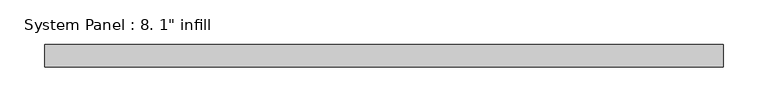
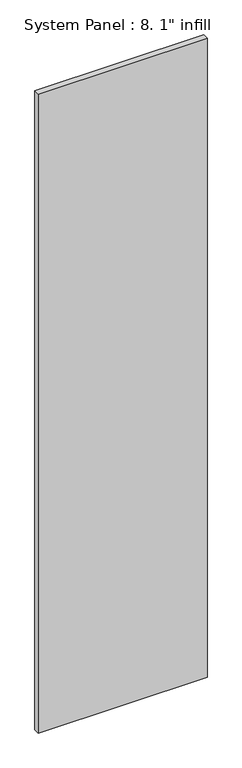
"""IFC4 building model written with IfcOpenShell, lengths in millimetres: plate geometry."""

from ifc_helpers import new_model, si_unit, origin, origin_with_axes, place, context, project, spatial, polyline, outline, extrude, source, transform, mapped, element, save


def plate_83a3d482(model_context):
    return source(origin(), model_context, "Body", "SweptSolid", [
        extrude(outline(polyline([(381.0, 0.0), (-381.0, 0.0), (-381.0, 25.4), (381.0, 25.4), (381.0, 0.0)])), origin_with_axes(), (0.0, 0.0, 1.0), 3048.0),
    ])


if __name__ == "__main__":
    model = new_model("IFC4")
    model_context = context("Model", 3, world=origin())
    ifc_project = project(units=[si_unit("LENGTHUNIT", "METRE", prefix="MILLI")], contexts=[model_context])
    site = spatial("IfcSite", under=ifc_project)
    building = spatial("IfcBuilding", under=site)
    placement = place(None, origin())
    plate_shape = plate_83a3d482(model_context)
    element("IfcPlate", 1, ObjectType="System Panel : 8. 1\" infill", at=placement, inside=building, context=model_context, shape_type="MappedRepresentation", body=[
        mapped(plate_shape, transform((0.0, 0.0, 0.0), x_axis=(1.0, 0.0, 0.0), y_axis=(0.0, 1.0, 0.0), z_axis=(0.0, 0.0, 1.0))),
    ])
    save(model, "model.ifc")
